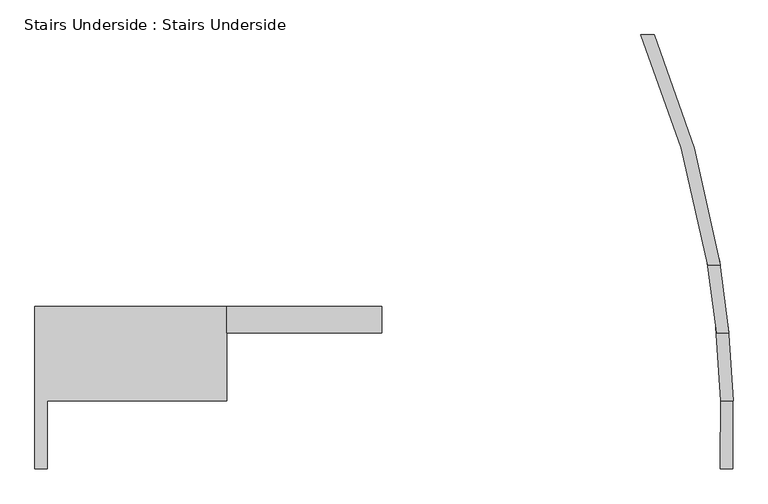
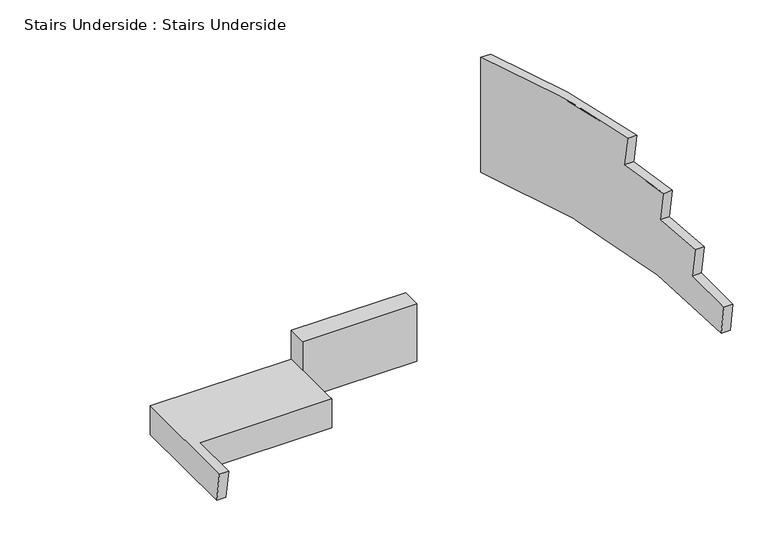
"""IFC4 building model written with IfcOpenShell, lengths in millimetres: proxy geometry, Stairs Underside : Stairs Underside."""

from ifc_helpers import new_model, si_unit, frame, origin, place, context, project, spatial, polyline, circle_curve, ellipse_curve, faceted_brep, source, transform, mapped, element, save
from ifc_brep_helpers import plane_surface, cylinder_surface, revolved_surface, advanced_brep


def stairs_underside_stairs_underside_f806c95f(model_context):
    return source(origin(), model_context, "Body", "SolidModel", [
        faceted_brep([(-3647.8509183, 2416.0173954, 0.0), (-3647.8509183, 1774.6673954, 0.0), (-3647.8509183, 1749.2673954, 169.3333333), (-3647.8509183, 2416.0173954, 169.3333333), (-2222.2903051, 2416.0173954, 0.0), (-2222.2903051, 2416.0173954, 338.6666667), (-2222.2903051, 2308.0673954, 338.6666667), (-2222.2903051, 2308.0673954, 0.0), (-2860.4509183, 2416.0173954, 169.3333333), (-2860.4509183, 2416.0173954, 338.6666667), (-2860.4509183, 2308.0673954, 0.0), (-2860.4509183, 2028.6673954, 0.0), (-3597.0509183, 2028.6673954, 0.0), (-3597.0509183, 1774.6673954, 0.0), (-3597.0509183, 1749.2673954, 169.3333333), (-3597.0509183, 2028.6673954, 169.3333333), (-2860.4509183, 2028.6673954, 169.3333333), (-2860.4509183, 2054.0673954, 169.3333333), (-2860.4509183, 2308.0673954, 169.3333333), (-2860.4509183, 2308.0673954, 338.6666667)], [[[0, 1, 2, 3]], [[4, 5, 6, 7]], [[4, 0, 3, 8, 9, 5]], [[1, 0, 4, 7, 10, 11, 12, 13]], [[2, 1, 13, 14]], [[8, 3, 2, 14, 15, 16, 17, 18]], [[5, 9, 19, 6]], [[9, 8, 18, 19]], [[12, 15, 14, 13]], [[18, 10, 7, 6, 19]], [[10, 18, 17, 16, 11]], [[15, 12, 11, 16]]]),
        advanced_brep(
        [(-1103.5110547, 3533.6173954, 677.3333333), (-1158.6509183, 3533.6173954, 677.3333333), (-883.8546018, 2587.4673954, 677.3333333), (-832.3778382, 2587.4673954, 677.3333333), (-1158.6509183, 3533.6173954, 0.0), (-1103.5110547, 3533.6173954, 0.0), (-780.3135821, 1774.6673954, 0.0), (-831.142279, 1774.6673954, 0.0), (-836.5918739, 2612.8673954, 508.0), (-796.5012655, 2308.0673954, 508.0), (-798.9759966, 2333.4673954, 338.6666667), (-779.5317768, 2028.6673954, 338.6666667), (-780.3010557, 2054.0673954, 169.3333333), (-781.239412, 1749.2673954, 169.3333333), (-832.0794897, 1749.2673954, 169.3333333), (-831.1295986, 2054.0673954, 169.3333333), (-830.3508673, 2028.6673954, 338.6666667), (-850.0350963, 2333.4673954, 338.6666667), (-847.5296919, 2308.0673954, 508.0), (-888.1218197, 2612.8673954, 508.0)],
        [
            (0, 1),
            (1, 2, circle_curve(frame((-4966.9966281, 1914.5550987, 677.3333333), z_axis=(0.0, 0.0, -1.0), x_axis=(1.0, 0.0, 0.0)), 4138.2193957)),
            (2, 3),
            (3, 0, circle_curve(frame((-4966.9966281, 1914.5550987, 677.3333333), z_axis=(0.0, 0.0, 1.0), x_axis=(1.0, 0.0, 0.0)), 4189.0193957)),
            (4, 5),
            (5, 6, circle_curve(frame((-4966.9966281, 1914.5550987, 0.0), z_axis=(0.0, 0.0, -1.0), x_axis=(1.0, 0.0, 0.0)), 4189.0193957)),
            (6, 7),
            (7, 4, circle_curve(frame((-4966.9966281, 1914.5550987, 0.0), z_axis=(0.0, 0.0, 1.0), x_axis=(1.0, 0.0, 0.0)), 4138.2193957)),
            (5, 0),
            (3, 8, ellipse_curve(frame((-4966.9966281, 1914.5550987, 5163.4153116), z_axis=(0.0, 0.9889363528682966, 0.1483404529302508), x_axis=(0.0, -0.1483404529302508, 0.9889363528682965)), 28239.2247894, 4189.0193957)),
            (8, 9, circle_curve(frame((-4966.9966281, 1914.5550987, 508.0), z_axis=(0.0, 0.0, -1.0), x_axis=(1.0, 0.0, 0.0)), 4189.0193957)),
            (9, 10, ellipse_curve(frame((-4966.9966281, 1914.5550987, 3131.4153116), z_axis=(0.0, 0.9889363528682976, 0.14834045293024412), x_axis=(0.0, -0.14834045293024414, 0.9889363528682977)), 28239.2247894, 4189.0193957)),
            (10, 11, circle_curve(frame((-4966.9966281, 1914.5550987, 338.6666667), z_axis=(0.0, 0.0, -1.0), x_axis=(1.0, 0.0, 0.0)), 4189.0193957)),
            (11, 12, ellipse_curve(frame((-4966.9966281, 1914.5550987, 1099.4153116), z_axis=(0.0, 0.9889363528682973, 0.1483404529302471), x_axis=(0.0, -0.14834045293024714, 0.9889363528682972)), 28239.2247894, 4189.0193957)),
            (12, 13, circle_curve(frame((-4966.9966281, 1914.5550987, 169.3333333), z_axis=(0.0, 0.0, -1.0), x_axis=(1.0, 0.0, 0.0)), 4189.0193957)),
            (13, 6, ellipse_curve(frame((-4966.9966281, 1914.5550987, -932.5846884), z_axis=(0.0, 0.9889363528682976, 0.14834045293024412), x_axis=(0.0, -0.14834045293024414, 0.9889363528682977)), 28239.2247894, 4189.0193957)),
            (4, 1),
            (7, 14, ellipse_curve(frame((-4966.9966281, 1914.5550987, -932.5846884), z_axis=(0.0, -0.9889363528682976, -0.14834045293024412), x_axis=(0.0, 0.14834045293024414, -0.9889363528682977)), 27896.7693162, 4138.2193957)),
            (14, 15, circle_curve(frame((-4966.9966281, 1914.5550987, 169.3333333), z_axis=(0.0, 0.0, 1.0), x_axis=(1.0, 0.0, 0.0)), 4138.2193957)),
            (15, 16, ellipse_curve(frame((-4966.9966281, 1914.5550987, 1099.4153116), z_axis=(0.0, -0.9889363528682973, -0.1483404529302471), x_axis=(0.0, 0.14834045293024714, -0.9889363528682972)), 27896.7693162, 4138.2193957)),
            (16, 17, circle_curve(frame((-4966.9966281, 1914.5550987, 338.6666667), z_axis=(0.0, 0.0, 1.0), x_axis=(1.0, 0.0, 0.0)), 4138.2193957)),
            (17, 18, ellipse_curve(frame((-4966.9966281, 1914.5550987, 3131.4153116), z_axis=(0.0, -0.9889363528682976, -0.14834045293024412), x_axis=(0.0, 0.14834045293024414, -0.9889363528682977)), 27896.7693162, 4138.2193957)),
            (18, 19, circle_curve(frame((-4966.9966281, 1914.5550987, 508.0), z_axis=(0.0, 0.0, 1.0), x_axis=(1.0, 0.0, 0.0)), 4138.2193957)),
            (19, 2, ellipse_curve(frame((-4966.9966281, 1914.5550987, 5163.4153116), z_axis=(0.0, -0.9889363528682966, -0.1483404529302508), x_axis=(0.0, 0.1483404529302508, -0.9889363528682965)), 27896.7693162, 4138.2193957)),
            (8, 19),
            (18, 9),
            (17, 10),
            (16, 11),
            (15, 12),
            (14, 13),
        ],
        [
            plane_surface(frame((-832.0794897, 1749.2673954, 677.3333333), z_axis=(0.0, 0.0, 1.0), x_axis=(1.0, 0.0, 0.0))),
            plane_surface(frame((-832.0794897, 1749.2673954, 0.0), z_axis=(0.0, 0.0, -1.0), x_axis=(-1.0, 0.0, 0.0))),
            cylinder_surface(frame((-4966.9966281, 1914.5550987, 0.0), z_axis=(0.0, 0.0, 1.0), x_axis=(1.0, 0.0, 0.0)), 4189.0193957),
            plane_surface(frame((-1103.5110547, 3533.6173954, 677.3333333), z_axis=(1.188132451441118e-12, 1.0, 0.0), x_axis=(0.0, 0.0, -1.0))),
            revolved_surface(polyline([(-828.7772323999998, 1914.5550987, -28520.713992771063), (-828.7772323999998, 1914.5550987, 32751.544615971026)]), (-4966.9966281, 1914.5550987, 0.0), (0.0, 0.0, -1.0)),
            plane_surface(frame((-982.3110503, 2612.8673954, 508.0), z_axis=(0.0, 0.0, 1.0), x_axis=(1.0, 0.0, 0.0))),
            plane_surface(frame((-982.3110503, 2308.0673954, 508.0), z_axis=(0.0, -0.9889363528682976, -0.14834045293024412), x_axis=(1.0, 0.0, 0.0))),
            plane_surface(frame((-982.3110503, 2333.4673954, 338.6666667), z_axis=(0.0, 0.0, 1.0), x_axis=(1.0, 0.0, 0.0))),
            plane_surface(frame((-982.3110503, 2028.6673954, 338.6666667), z_axis=(0.0, -0.9889363528682973, -0.1483404529302471), x_axis=(1.0, 0.0, 0.0))),
            plane_surface(frame((-982.3110503, 2054.0673954, 169.3333333), z_axis=(0.0, 0.0, 1.0), x_axis=(1.0, 0.0, 0.0))),
            plane_surface(frame((-982.3110503, 1749.2673954, 169.3333333), z_axis=(0.0, -0.9889363528682976, -0.14834045293024412), x_axis=(1.0, 0.0, 0.0))),
            plane_surface(frame((-982.3110503, 2587.1498954, 679.45), z_axis=(0.0, -0.9889363528682966, -0.1483404529302508), x_axis=(1.0, 0.0, 0.0))),
        ],
        [
            (0, [[1, 2, 3, 4]]),
            (1, [[5, 6, 7, 8]]),
            (2, [[9, -4, 10, 11, 12, 13, 14, 15, 16, -6]]),
            (3, [[-1, -9, -5, 17]]),
            (4, [[-17, -8, 18, 19, 20, 21, 22, 23, 24, -2]]),
            (5, [[25, -23, 26, -11]]),
            (6, [[-26, -22, 27, -12]]),
            (7, [[-27, -21, 28, -13]]),
            (8, [[-28, -20, 29, -14]]),
            (9, [[30, -15, -29, -19]]),
            (10, [[-30, -18, -7, -16]]),
            (11, [[-25, -10, -3, -24]]),
        ],
    ),
    ])


if __name__ == "__main__":
    model = new_model("IFC4")
    model_context = context("Model", 3, world=origin())
    ifc_project = project(units=[si_unit("LENGTHUNIT", "METRE", prefix="MILLI")], contexts=[model_context])
    site = spatial("IfcSite", under=ifc_project)
    building = spatial("IfcBuilding", under=site)
    placement = place(None, origin())
    stairs_underside_stairs_underside_shape = stairs_underside_stairs_underside_f806c95f(model_context)
    element("IfcBuildingElementProxy", 1, Name="Stairs Underside : Stairs Underside", ObjectType="Stairs Underside : Stairs Underside", at=placement, inside=building, context=model_context, shape_type="MappedRepresentation", body=[
        mapped(stairs_underside_stairs_underside_shape, transform((0.0, 0.0, 0.0), x_axis=(1.0, 0.0, 0.0), y_axis=(0.0, 1.0, 0.0), z_axis=(0.0, 0.0, 1.0))),
    ])
    save(model, "model.ifc")
